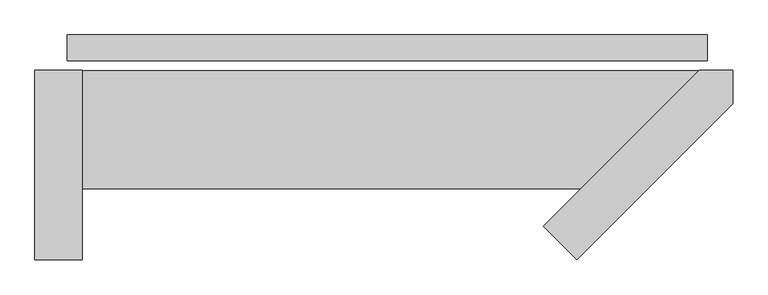
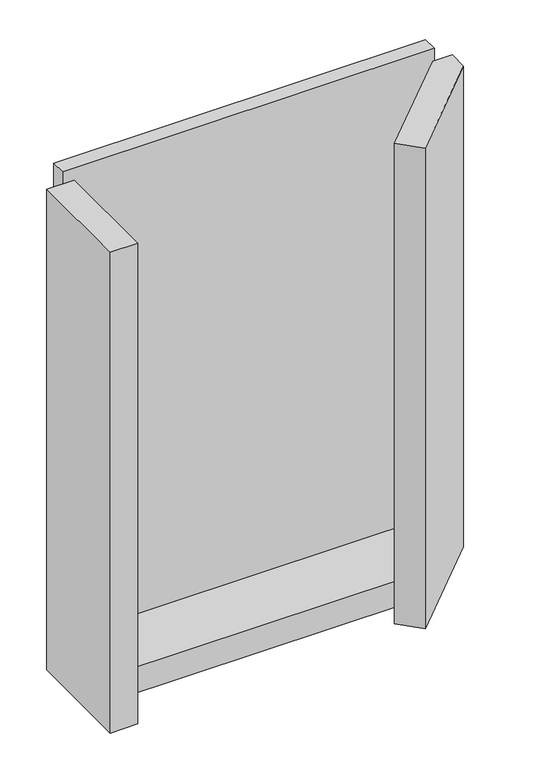
"""IFC4 building model written with IfcOpenShell, lengths in millimetres: plate geometry."""

from ifc_helpers import new_model, si_unit, frame, origin, origin_with_axes, place, context, project, spatial, polyline, outline, extrude, source, transform, mapped, element, save


def plate_af2d56cd(model_context):
    return source(origin(), model_context, "Body", "SweptSolid", [
        extrude(outline(polyline([(541.0, 0.0), (541.0, -44.0), (-541.0, -44.0), (-541.0, 0.0), (541.0, 0.0)])), origin_with_axes(), (0.0, 0.0, 1.0), 1447.534293),
        extrude(outline(polyline([(264.0, -323.4314575), (527.4314575, -60.0), (584.0, -60.0), (584.0, -116.5685425), (320.5685425, -380.0), (264.0, -323.4314575)])), frame((0.0, 0.0, -55.0), z_axis=(0.0, 0.0, 1.0), x_axis=(1.0, 0.0, 0.0)), (0.0, 0.0, 1.0), 1477.534293),
        extrude(outline(polyline([(-516.0, -260.0), (-516.0, -60.0), (527.4314575, -60.0), (327.4314575, -260.0), (-516.0, -260.0)])), frame((0.0, 0.0, -55.0), z_axis=(0.0, 0.0, 1.0), x_axis=(1.0, 0.0, 0.0)), (0.0, 0.0, 1.0), 80.0),
        extrude(outline(polyline([(-596.0, -60.0), (-516.0, -60.0), (-516.0, -380.0), (-596.0, -380.0), (-596.0, -60.0)])), frame((0.0, 0.0, -55.0), z_axis=(0.0, 0.0, 1.0), x_axis=(1.0, 0.0, 0.0)), (0.0, 0.0, 1.0), 1477.534293),
    ])


if __name__ == "__main__":
    model = new_model("IFC4")
    model_context = context("Model", 3, world=origin())
    ifc_project = project(units=[si_unit("LENGTHUNIT", "METRE", prefix="MILLI")], contexts=[model_context])
    site = spatial("IfcSite", under=ifc_project)
    building = spatial("IfcBuilding", under=site)
    placement = place(None, origin())
    plate_shape = plate_af2d56cd(model_context)
    element("IfcPlate", 1, at=placement, inside=building, context=model_context, shape_type="MappedRepresentation", body=[
        mapped(plate_shape, transform((0.0, 0.0, 0.0), x_axis=(1.0, 0.0, 0.0), y_axis=(0.0, 1.0, 0.0), z_axis=(0.0, 0.0, 1.0))),
    ])
    save(model, "model.ifc")
